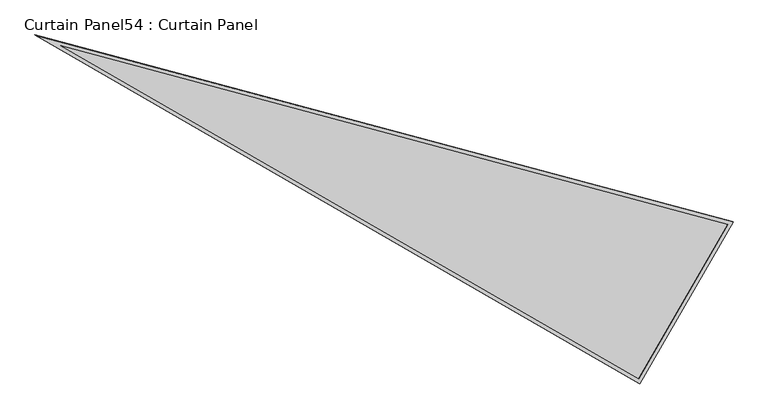
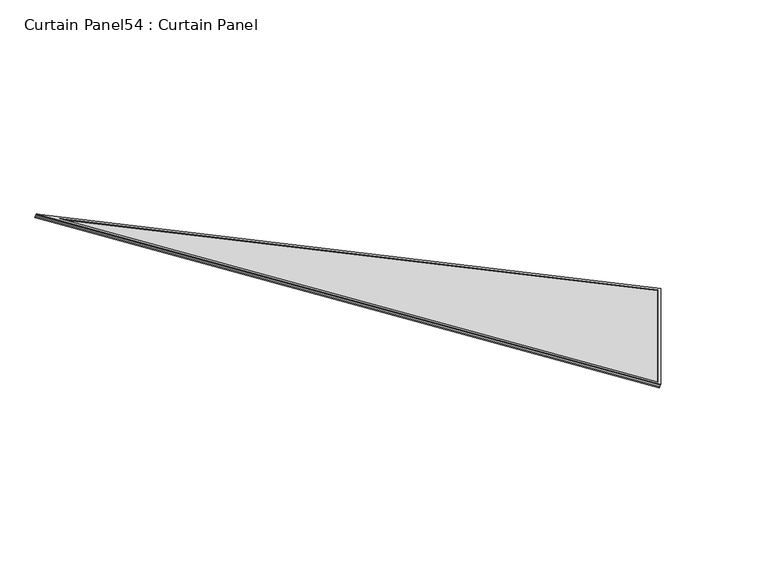
"""IFC4 building model written with IfcOpenShell, lengths in millimetres: plate geometry, Curtain Panel54 : Curtain Panel."""

from ifc_helpers import new_model, si_unit, frame, origin, place, context, project, spatial, polyline, outline, extrude, source, transform, mapped, element, save


def curtain_panel54_curtain_panel_e98dd159(model_context):
    return source(origin(), model_context, "Body", "SweptSolid", [
        extrude(outline(polyline([(893.8356946, 0.0), (893.8356946, -3516.1831199), (0.0, 0.0), (893.8356946, 0.0)]), holes=[polyline([(877.1728967, -16.6627979), (21.4285394, -16.6627979), (877.1728968, -3383.0016927), (877.1728967, -16.6627979)])]), frame((18933.5474749, -461.2282035, 898.6980571), z_axis=(0.2737903148616817, -0.15807291198690757, 0.9487106081329125), x_axis=(-0.5000000000000097, -0.8660254037844332, 0.0)), (0.0, 0.0, 1.0), 4.8339674),
        extrude(outline(polyline([(893.8356947, 0.0), (893.8356947, -3516.1831199), (0.0, 0.0), (893.8356947, 0.0)]), holes=[polyline([(877.1478946, -16.6878), (21.4606923, -16.6878), (877.1478947, -3382.8018572), (877.1478946, -16.6878)])]), frame((18928.7219786, -458.4422019, 881.9772337), z_axis=(0.2737903148616775, -0.15807291198690424, 0.9487106081329142), x_axis=(-0.5000000000000083, -0.8660254037844339, 0.0)), (0.0, 0.0, 1.0), 4.7767329),
        extrude(outline(polyline([(22.2853148, 0.0), (916.1210094, 0.0), (916.1210094, -3516.1831199), (22.2853148, 0.0)])), frame((18941.1724592, -439.8976252, 886.5089709), z_axis=(0.2737903148616769, -0.15807291198690482, 0.9487106081329144), x_axis=(-0.5000000000000093, -0.8660254037844333, 0.0)), (0.0, 0.0, 1.0), 12.8480552),
    ])


if __name__ == "__main__":
    model = new_model("IFC4")
    model_context = context("Model", 3, world=origin())
    ifc_project = project(units=[si_unit("LENGTHUNIT", "METRE", prefix="MILLI")], contexts=[model_context])
    site = spatial("IfcSite", under=ifc_project)
    building = spatial("IfcBuilding", under=site)
    placement = place(None, origin())
    curtain_panel54_curtain_panel_shape = curtain_panel54_curtain_panel_e98dd159(model_context)
    element("IfcPlate", 1, ObjectType="Curtain Panel54 : Curtain Panel", at=placement, inside=building, context=model_context, shape_type="MappedRepresentation", body=[
        mapped(curtain_panel54_curtain_panel_shape, transform((0.0, 0.0, 0.0), x_axis=(1.0, 0.0, 0.0), y_axis=(0.0, 1.0, 0.0), z_axis=(0.0, 0.0, 1.0))),
    ])
    save(model, "model.ifc")
